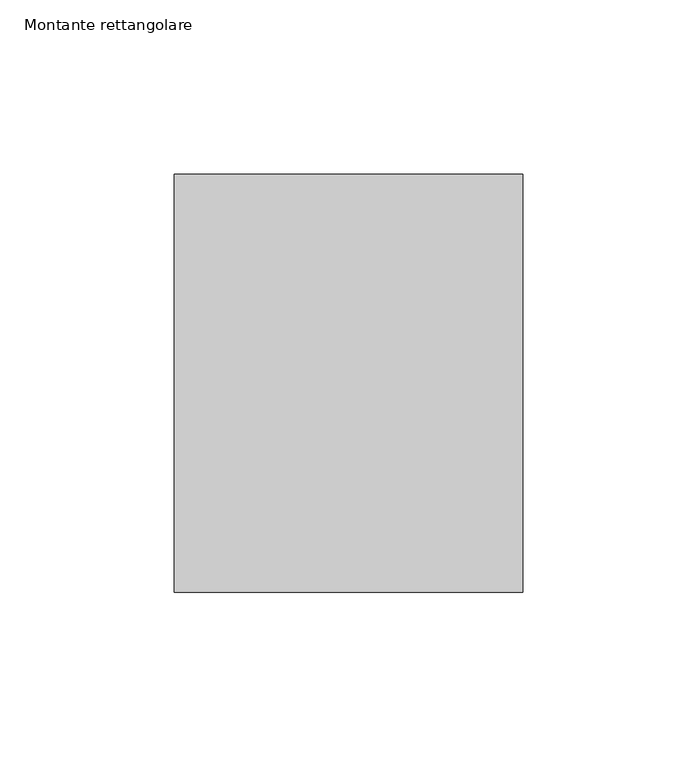
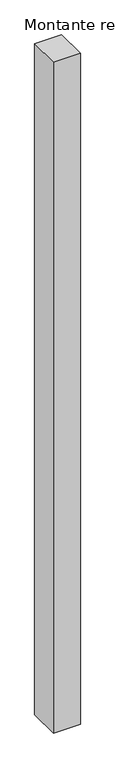
"""IFC4 building model written with IfcOpenShell, lengths in millimetres: member geometry, Montante rettangolare."""

from ifc_helpers import new_model, si_unit, frame, origin, place, context, project, spatial, polyline, outline, extrude, source, transform, mapped, element, save


def montante_rettangolare_c29bbc8f(model_context):
    return source(origin(), model_context, "Body", "SweptSolid", [
        extrude(outline(polyline([(50.0, 60.0), (50.0, -60.0), (-50.0, -60.0), (-50.0, 60.0), (50.0, 60.0)])), frame((0.0, 0.0, -2630.0), z_axis=(0.0, 0.0, 1.0), x_axis=(1.0, 0.0, 0.0)), (0.0, 0.0, 1.0), 2630.0),
    ])


if __name__ == "__main__":
    model = new_model("IFC4")
    model_context = context("Model", 3, world=origin())
    ifc_project = project(units=[si_unit("LENGTHUNIT", "METRE", prefix="MILLI")], contexts=[model_context])
    site = spatial("IfcSite", under=ifc_project)
    building = spatial("IfcBuilding", under=site)
    placement = place(None, origin())
    montante_rettangolare_shape = montante_rettangolare_c29bbc8f(model_context)
    element("IfcMember", 1, ObjectType="Montante rettangolare", at=placement, inside=building, context=model_context, shape_type="MappedRepresentation", body=[
        mapped(montante_rettangolare_shape, transform((0.0, 0.0, 0.0), x_axis=(1.0, 0.0, 0.0), y_axis=(0.0, 1.0, 0.0), z_axis=(0.0, 0.0, 1.0))),
    ])
    save(model, "model.ifc")
